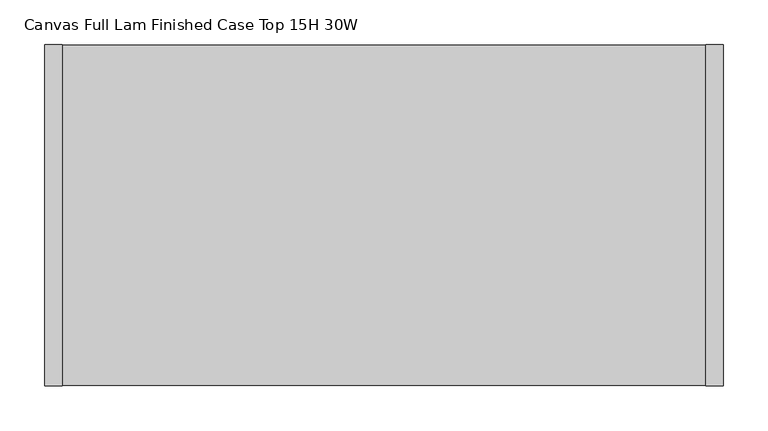
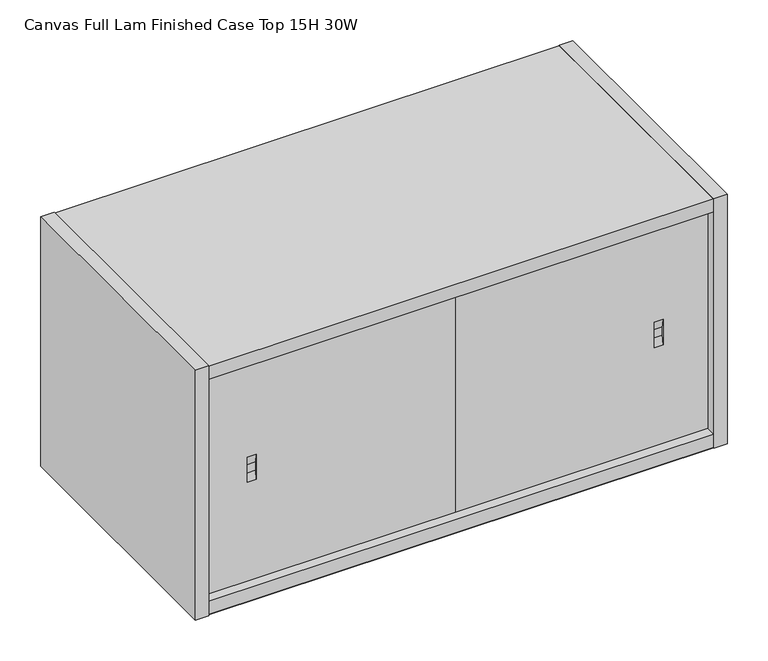
"""IFC4 building model written with IfcOpenShell, lengths in millimetres: furniture geometry, Canvas Full Lam Finished Case Top 15H 30W."""

import ifcopenshell
import ifcopenshell.guid

model = None  # the IFC model being written
_history = None  # IfcOwnerHistory: only IFC2X3 demands one
_inside = {}  # id of a spatial element -> (the spatial element, [elements in it])
_under = {}  # id of a project, library or spatial element -> (it, [spatial elements below it])
_declared = {}  # id of a project -> (the project, [libraries it declares])
_typed = {}  # id of a type object -> (the type object, [elements of that type])
_made_of = {}  # id of a material, layer set ... -> (it, [elements and type objects made of it])


def new_model(schema):
    """Start an empty IFC model of exactly this schema.

    Asked for "IFC4X3", IfcOpenShell would pick the latest addendum, in which some entities
    have other attributes; the version numbers below select the first issue.
    IFC2X3 requires an IfcOwnerHistory on every rooted entity: one is made here for all.
    """
    global model, _history
    if schema == "IFC4X3":
        model = ifcopenshell.file(schema_version=(4, 3, 0, 0))
    else:
        model = ifcopenshell.file(schema=schema)
    _inside.clear()
    _under.clear()
    _declared.clear()
    _typed.clear()
    _made_of.clear()
    _history = None
    if model.schema == "IFC2X3":
        org = make("IfcOrganization", Name="unknown")
        user = make(
            "IfcPersonAndOrganization",
            ThePerson=make("IfcPerson", FamilyName="unknown"),
            TheOrganization=org,
        )
        app = make(
            "IfcApplication",
            ApplicationDeveloper=org,
            Version="unknown",
            ApplicationFullName="unknown",
            ApplicationIdentifier="unknown",
        )
        _history = make(
            "IfcOwnerHistory",
            OwningUser=user,
            OwningApplication=app,
            ChangeAction="ADDED",
            CreationDate=0,
        )
    return model


def make(cls, **values):
    """One entity of the class cls with the attributes given. An attribute that is None is left unset."""
    return model.create_entity(
        cls, **{name: value for name, value in values.items() if value is not None}
    )


def rooted(cls, **values):
    """An entity with a GlobalId (a new one), such as an element, a storey or a relation."""
    return make(cls, GlobalId=ifcopenshell.guid.new(), OwnerHistory=_history, **values)


def si_unit(unit_type, name, prefix=None):
    """IfcSIUnit, for example si_unit("LENGTHUNIT", "METRE", prefix="MILLI")."""
    return make("IfcSIUnit", UnitType=unit_type, Prefix=prefix, Name=name)


def assignment(units):
    """IfcUnitAssignment: the units of a project."""
    return None if units is None else make("IfcUnitAssignment", Units=units)


def point(xyz):
    """IfcCartesianPoint."""
    return None if xyz is None else make("IfcCartesianPoint", Coordinates=xyz)


def direction(xyz):
    """IfcDirection."""
    return None if xyz is None else make("IfcDirection", DirectionRatios=xyz)


def frame(location, z_axis=None, x_axis=None):
    """IfcAxis2Placement3D, a coordinate frame: its origin and axes. An axis left out is left unset."""
    return make(
        "IfcAxis2Placement3D",
        Location=point(location),
        Axis=direction(z_axis),
        RefDirection=direction(x_axis),
    )


def origin():
    """The frame at (0, 0, 0) with its axes left unset."""
    return frame((0.0, 0.0, 0.0))


def place(relative_to, where):
    """IfcLocalPlacement: puts the frame where relative to a parent placement (None: the world)."""
    return make(
        "IfcLocalPlacement", PlacementRelTo=relative_to, RelativePlacement=where
    )


def context(
    kind, dimensions, precision=None, world=None, true_north=None, identifier=None
):
    """IfcGeometricRepresentationContext, for example the 3D "Model" context."""
    return make(
        "IfcGeometricRepresentationContext",
        ContextIdentifier=identifier,
        ContextType=kind,
        CoordinateSpaceDimension=dimensions,
        Precision=precision,
        WorldCoordinateSystem=world,
        TrueNorth=true_north,
    )


def project(units=None, contexts=None):
    """IfcProject with its units and contexts."""
    return rooted(
        "IfcProject",
        Name="project",
        RepresentationContexts=contexts,
        UnitsInContext=assignment(units),
    )


def spatial(cls, under=None, at=None, **own):
    """A site, building, storey or space (cls), placed at a placement, below another one or the project."""
    s = rooted(cls, ObjectPlacement=at, **own)
    if under is not None:
        _under.setdefault(under.id(), (under, []))[1].append(s)
    return s


def polyline(points):
    """IfcPolyline through the points."""
    return make("IfcPolyline", Points=[point(p) for p in points])


def outline(outer, holes=None, kind="AREA"):
    """IfcArbitraryClosedProfileDef: a profile drawn as a closed curve; with holes, ...WithVoids."""
    if holes is None:
        return make("IfcArbitraryClosedProfileDef", ProfileType=kind, OuterCurve=outer)
    return make(
        "IfcArbitraryProfileDefWithVoids",
        ProfileType=kind,
        OuterCurve=outer,
        InnerCurves=holes,
    )


def extrude(swept, where, along, depth):
    """IfcExtrudedAreaSolid: the profile swept, set in the frame where, extruded along a direction by depth."""
    return make(
        "IfcExtrudedAreaSolid",
        SweptArea=swept,
        Position=where,
        ExtrudedDirection=direction(along),
        Depth=depth,
    )


def faces_of(points, faces, orient=None, outer=None):
    """IfcFace entities. A face is a list of loops; a loop is a list of indices into points, from 0.

    orient and outer hold one flag for each loop. By default every Orientation is true, the
    first loop of a face is its IfcFaceOuterBound and the others are IfcFaceBound.
    """
    made = []
    for i, loops in enumerate(faces):
        bounds = []
        for j, loop in enumerate(loops):
            is_outer = j == 0 if outer is None else outer[i][j]
            bounds.append(
                make(
                    "IfcFaceOuterBound" if is_outer else "IfcFaceBound",
                    Bound=make("IfcPolyLoop", Polygon=[points[k] for k in loop]),
                    Orientation=True if orient is None else orient[i][j],
                )
            )
        made.append(make("IfcFace", Bounds=bounds))
    return made


def faceted_brep(points, faces, orient=None, outer=None, voids=None):
    """IfcFacetedBrep: a solid bounded by flat faces; with voids (closed shells), ...WithVoids."""
    shared = [point(p) for p in points]
    hull = make("IfcClosedShell", CfsFaces=faces_of(shared, faces, orient, outer))
    if voids is None:
        return make("IfcFacetedBrep", Outer=hull)
    return make(
        "IfcFacetedBrepWithVoids",
        Outer=hull,
        Voids=[
            make(cls, CfsFaces=faces_of(shared, fs, o, b)) for cls, fs, o, b in voids
        ],
    )


def shape(context_of_items, identifier, shape_type, items):
    """IfcShapeRepresentation: the items that make up one representation, for example the "Body"."""
    return make(
        "IfcShapeRepresentation",
        ContextOfItems=context_of_items,
        RepresentationIdentifier=identifier,
        RepresentationType=shape_type,
        Items=items,
    )


def source(mapping_origin, context_of_items, identifier, shape_type, items):
    """IfcRepresentationMap: a shape defined once, which mapped items show again and again."""
    return make(
        "IfcRepresentationMap",
        MappingOrigin=mapping_origin,
        MappedRepresentation=shape(context_of_items, identifier, shape_type, items),
    )


def transform(
    local_origin,
    x_axis=None,
    y_axis=None,
    z_axis=None,
    scale=None,
    scale2=None,
    scale3=None,
    uniform=True,
):
    """IfcCartesianTransformationOperator3D, or its non-uniform kind. x_axis, y_axis, z_axis: its Axis1, 2, 3."""
    if uniform:
        return make(
            "IfcCartesianTransformationOperator3D",
            Axis1=direction(x_axis),
            Axis2=direction(y_axis),
            LocalOrigin=point(local_origin),
            Scale=scale,
            Axis3=direction(z_axis),
        )
    return make(
        "IfcCartesianTransformationOperator3DnonUniform",
        Axis1=direction(x_axis),
        Axis2=direction(y_axis),
        LocalOrigin=point(local_origin),
        Scale=scale,
        Axis3=direction(z_axis),
        Scale2=scale2,
        Scale3=scale3,
    )


def mapped(mapping_source, mapping_target):
    """IfcMappedItem: shows the shape of a source again, moved by a transform."""
    return make(
        "IfcMappedItem", MappingSource=mapping_source, MappingTarget=mapping_target
    )


def made_of(thing, what):
    """Note that an element or type object is made of a material, layer set ...; save() writes the relation."""
    if what is not None:
        _made_of.setdefault(what.id(), (what, []))[1].append(thing)
    return thing


def element(
    cls,
    number,
    at=None,
    inside=None,
    cuts=None,
    type_object=None,
    material=None,
    context=None,
    identifier="Body",
    shape_type=None,
    held_by="IfcProductDefinitionShape",
    body=None,
    shapes=None,
    **own,
):
    """One element of the class cls, such as IfcWall. Its Tag is "e" and its number.

    at: its placement. inside: the storey or other place that contains it. cuts: it is an
    opening in that element (IfcRelVoidsElement). A single representation is given by context,
    identifier, shape_type and body (its items); several are given by shapes. held_by: the class
    of the entity that holds the representations. save() writes the other relations.
    """
    e = rooted(cls, Tag="e%d" % number, ObjectPlacement=at, **own)
    if body is not None:
        shapes = [shape(context, identifier, shape_type, body)]
    if shapes is not None:
        e.Representation = make(held_by, Representations=shapes)
    if inside is not None:
        _inside.setdefault(inside.id(), (inside, []))[1].append(e)
    if cuts is not None:
        rooted(
            "IfcRelVoidsElement", RelatingBuildingElement=cuts, RelatedOpeningElement=e
        )
    if type_object is not None:
        _typed.setdefault(type_object.id(), (type_object, []))[1].append(e)
    return made_of(e, material)


def aggregate(whole, parts):
    """IfcRelAggregates: a whole, such as a stair, and the parts it consists of."""
    return rooted("IfcRelAggregates", RelatingObject=whole, RelatedObjects=parts)


def save(model, path):
    """Write the relations noted so far, then the file.

    IfcRelAggregates (storeys below a building ...), IfcRelContainedInSpatialStructure (elements
    in a storey), IfcRelDefinesByType, IfcRelAssociatesMaterial and IfcRelDeclares: one each for
    every whole, place, type object, material and project.
    """
    for whole, parts in _under.values():
        aggregate(whole, parts)
    for where, things in _inside.values():
        rooted(
            "IfcRelContainedInSpatialStructure",
            RelatedElements=things,
            RelatingStructure=where,
        )
    for kind, things in _typed.values():
        rooted("IfcRelDefinesByType", RelatedObjects=things, RelatingType=kind)
    for what, things in _made_of.values():
        rooted("IfcRelAssociatesMaterial", RelatedObjects=things, RelatingMaterial=what)
    for by, libraries in _declared.values():
        rooted("IfcRelDeclares", RelatingContext=by, RelatedDefinitions=libraries)
    model.write(path)


def canvas_full_lam_finished_case_top_15h_30w_49122ef9(model_context):
    return source(origin(), model_context, "Body", "SolidModel", [
        faceted_brep([(98.0439973, -363.9830881, 1228.1440122), (98.0439973, -363.9830881, 1215.3359822), (98.0439973, -366.0139961, 1202.6900063), (98.0439973, -366.0139961, 1240.7900063), (85.3440004, -363.9830881, 1228.1440122), (85.3440004, -366.0139961, 1240.7900063), (85.3440004, -366.0139961, 1202.6900063), (85.3440004, -363.9830881, 1215.3359822), (381.0, -356.4889961, 1054.4810114), (381.0, -356.4889961, 1388.9990012), (381.0, -366.0139961, 1388.9990012), (381.0, -366.0139961, 1054.4810114), (21.8439996, -356.4889961, 1054.4810114), (21.8439996, -366.0139961, 1054.4810114), (21.8439996, -366.0139961, 1388.9990012), (21.8439996, -356.4889961, 1388.9990012)], [[[0, 1, 2, 3]], [[4, 5, 6, 7]], [[0, 3, 5, 4]], [[2, 1, 7, 6]], [[1, 0, 4, 7]], [[8, 9, 10, 11]], [[12, 13, 14, 15]], [[9, 8, 12, 15]], [[10, 9, 15, 14]], [[11, 10, 14, 13], [3, 2, 6, 5]], [[8, 11, 13, 12]]]),
        faceted_brep([(740.1560004, -356.4889961, 1388.9990012), (740.1560004, -366.0139961, 1388.9990012), (740.1560004, -366.0139961, 1054.4810114), (740.1560004, -356.4889961, 1054.4810114), (381.0, -356.4889961, 1388.9990012), (381.0, -356.4889961, 1054.4810114), (381.0, -366.0139961, 1054.4810114), (381.0, -366.0139961, 1388.9990012), (663.9560027, -366.0139961, 1202.6900063), (663.9560027, -366.0139961, 1240.7900063), (676.6559996, -366.0139961, 1240.7900063), (676.6559996, -366.0139961, 1202.6900063), (663.9560027, -363.9830881, 1228.1440122), (663.9560027, -363.9830881, 1215.3359822), (676.6559996, -363.9830881, 1228.1440122), (676.6559996, -363.9830881, 1215.3359822)], [[[0, 1, 2, 3]], [[4, 5, 6, 7]], [[1, 0, 4, 7]], [[2, 1, 7, 6], [8, 9, 10, 11]], [[3, 2, 6, 5]], [[0, 3, 5, 4]], [[12, 9, 8, 13]], [[14, 15, 11, 10]], [[9, 12, 14, 10]], [[13, 8, 11, 15]], [[12, 13, 15, 14]]]),
        extrude(outline(polyline([(21.8439996, -381.0), (2.5400001, -381.0), (2.5400001, 0.0), (21.8439996, 0.0), (21.8439996, -381.0)])), frame((0.0, 0.0, 1033.6530002), z_axis=(0.0, 0.0, 1.0), x_axis=(1.0, 0.0, 0.0)), (0.0, 0.0, 1.0), 375.412),
        extrude(outline(polyline([(740.1560004, -380.2379826), (21.8439996, -380.2379826), (21.8439996, -0.762), (740.1560004, -0.762), (740.1560004, -380.2379826)])), frame((0.0, 0.0, 1035.1769934), z_axis=(0.0, 0.0, 1.0), x_axis=(1.0, 0.0, 0.0)), (0.0, 0.0, 1.0), 19.3040179),
        extrude(outline(polyline([(740.1560004, -11.938), (740.1560004, -31.2419997), (21.8439996, -31.2419997), (21.8439996, -11.938), (740.1560004, -11.938)])), frame((0.0, 0.0, 1053.7190002), z_axis=(0.0, 0.0, 1.0), x_axis=(1.0, 0.0, 0.0)), (0.0, 0.0, 1.0), 335.280001),
        extrude(outline(polyline([(740.1560004, -380.2379826), (21.8439996, -380.2379826), (21.8439996, -31.2419997), (740.1560004, -31.2419997), (740.1560004, -380.2379826)])), frame((0.0, 0.0, 1034.4150002), z_axis=(0.0, 0.0, 1.0), x_axis=(1.0, 0.0, 0.0)), (0.0, 0.0, 1.0), 19.304),
        extrude(outline(polyline([(759.4600024, -381.0), (740.1560004, -381.0), (740.1560004, 0.0), (759.4600024, 0.0), (759.4600024, -381.0)])), frame((0.0, 0.0, 1033.6530002), z_axis=(0.0, 0.0, 1.0), x_axis=(1.0, 0.0, 0.0)), (0.0, 0.0, 1.0), 375.412),
        extrude(outline(polyline([(740.1560004, -380.2379826), (21.8439996, -380.2379826), (21.8439996, -0.762), (740.1560004, -0.762), (740.1560004, -380.2379826)])), frame((0.0, 0.0, 1388.9990012), z_axis=(0.0, 0.0, 1.0), x_axis=(1.0, 0.0, 0.0)), (0.0, 0.0, 1.0), 19.303999),
    ])


if __name__ == "__main__":
    model = new_model("IFC4")
    model_context = context("Model", 3, world=origin())
    ifc_project = project(units=[si_unit("LENGTHUNIT", "METRE", prefix="MILLI")], contexts=[model_context])
    site = spatial("IfcSite", under=ifc_project)
    building = spatial("IfcBuilding", under=site)
    placement = place(None, origin())
    canvas_full_lam_finished_case_top_15h_30w_shape = canvas_full_lam_finished_case_top_15h_30w_49122ef9(model_context)
    element("IfcFurniture", 1, ObjectType="Canvas Full Lam Finished Case Top 15H 30W", at=placement, inside=building, context=model_context, shape_type="MappedRepresentation", body=[
        mapped(canvas_full_lam_finished_case_top_15h_30w_shape, transform((0.0, 0.0, 0.0), x_axis=(1.0, 0.0, 0.0), y_axis=(0.0, 1.0, 0.0), z_axis=(0.0, 0.0, 1.0))),
    ])
    save(model, "model.ifc")
